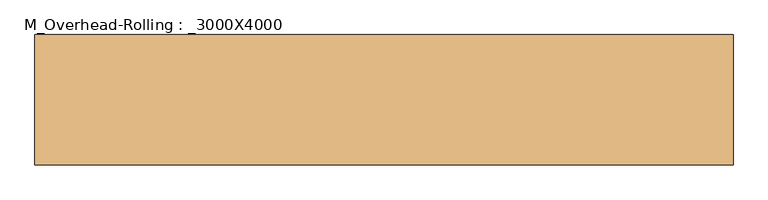
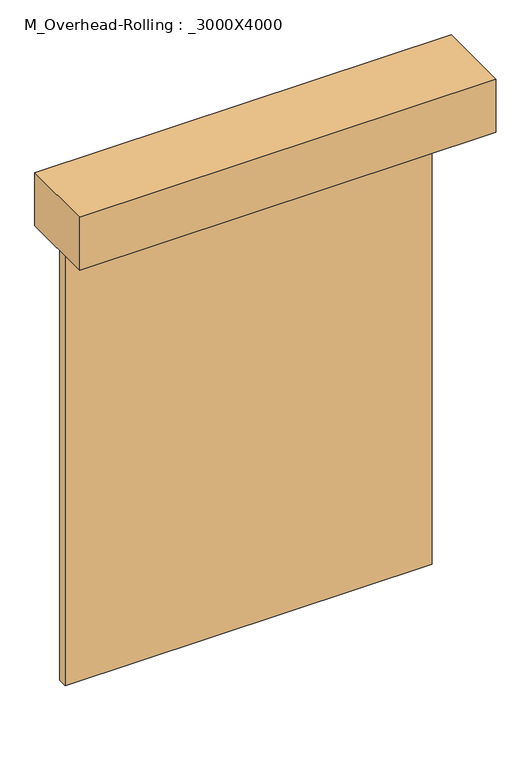
"""IFC4 building model written with IfcOpenShell, lengths in millimetres: door geometry, M_Overhead-Rolling : _3000X4000."""

import ifcopenshell
import ifcopenshell.guid

model = None  # the IFC model being written
_history = None  # IfcOwnerHistory: only IFC2X3 demands one
_inside = {}  # id of a spatial element -> (the spatial element, [elements in it])
_under = {}  # id of a project, library or spatial element -> (it, [spatial elements below it])
_declared = {}  # id of a project -> (the project, [libraries it declares])
_typed = {}  # id of a type object -> (the type object, [elements of that type])
_made_of = {}  # id of a material, layer set ... -> (it, [elements and type objects made of it])


def new_model(schema):
    """Start an empty IFC model of exactly this schema.

    Asked for "IFC4X3", IfcOpenShell would pick the latest addendum, in which some entities
    have other attributes; the version numbers below select the first issue.
    IFC2X3 requires an IfcOwnerHistory on every rooted entity: one is made here for all.
    """
    global model, _history
    if schema == "IFC4X3":
        model = ifcopenshell.file(schema_version=(4, 3, 0, 0))
    else:
        model = ifcopenshell.file(schema=schema)
    _inside.clear()
    _under.clear()
    _declared.clear()
    _typed.clear()
    _made_of.clear()
    _history = None
    if model.schema == "IFC2X3":
        org = make("IfcOrganization", Name="unknown")
        user = make(
            "IfcPersonAndOrganization",
            ThePerson=make("IfcPerson", FamilyName="unknown"),
            TheOrganization=org,
        )
        app = make(
            "IfcApplication",
            ApplicationDeveloper=org,
            Version="unknown",
            ApplicationFullName="unknown",
            ApplicationIdentifier="unknown",
        )
        _history = make(
            "IfcOwnerHistory",
            OwningUser=user,
            OwningApplication=app,
            ChangeAction="ADDED",
            CreationDate=0,
        )
    return model


def make(cls, **values):
    """One entity of the class cls with the attributes given. An attribute that is None is left unset."""
    return model.create_entity(
        cls, **{name: value for name, value in values.items() if value is not None}
    )


def rooted(cls, **values):
    """An entity with a GlobalId (a new one), such as an element, a storey or a relation."""
    return make(cls, GlobalId=ifcopenshell.guid.new(), OwnerHistory=_history, **values)


def si_unit(unit_type, name, prefix=None):
    """IfcSIUnit, for example si_unit("LENGTHUNIT", "METRE", prefix="MILLI")."""
    return make("IfcSIUnit", UnitType=unit_type, Prefix=prefix, Name=name)


def assignment(units):
    """IfcUnitAssignment: the units of a project."""
    return None if units is None else make("IfcUnitAssignment", Units=units)


def point(xyz):
    """IfcCartesianPoint."""
    return None if xyz is None else make("IfcCartesianPoint", Coordinates=xyz)


def direction(xyz):
    """IfcDirection."""
    return None if xyz is None else make("IfcDirection", DirectionRatios=xyz)


def frame(location, z_axis=None, x_axis=None):
    """IfcAxis2Placement3D, a coordinate frame: its origin and axes. An axis left out is left unset."""
    return make(
        "IfcAxis2Placement3D",
        Location=point(location),
        Axis=direction(z_axis),
        RefDirection=direction(x_axis),
    )


def origin():
    """The frame at (0, 0, 0) with its axes left unset."""
    return frame((0.0, 0.0, 0.0))


def origin_with_axes():
    """The frame at (0, 0, 0) with the z axis (0, 0, 1) and the x axis (1, 0, 0) written out."""
    return frame((0.0, 0.0, 0.0), z_axis=(0.0, 0.0, 1.0), x_axis=(1.0, 0.0, 0.0))


def place(relative_to, where):
    """IfcLocalPlacement: puts the frame where relative to a parent placement (None: the world)."""
    return make(
        "IfcLocalPlacement", PlacementRelTo=relative_to, RelativePlacement=where
    )


def context(
    kind, dimensions, precision=None, world=None, true_north=None, identifier=None
):
    """IfcGeometricRepresentationContext, for example the 3D "Model" context."""
    return make(
        "IfcGeometricRepresentationContext",
        ContextIdentifier=identifier,
        ContextType=kind,
        CoordinateSpaceDimension=dimensions,
        Precision=precision,
        WorldCoordinateSystem=world,
        TrueNorth=true_north,
    )


def project(units=None, contexts=None):
    """IfcProject with its units and contexts."""
    return rooted(
        "IfcProject",
        Name="project",
        RepresentationContexts=contexts,
        UnitsInContext=assignment(units),
    )


def spatial(cls, under=None, at=None, **own):
    """A site, building, storey or space (cls), placed at a placement, below another one or the project."""
    s = rooted(cls, ObjectPlacement=at, **own)
    if under is not None:
        _under.setdefault(under.id(), (under, []))[1].append(s)
    return s


def polyline(points):
    """IfcPolyline through the points."""
    return make("IfcPolyline", Points=[point(p) for p in points])


def outline(outer, holes=None, kind="AREA"):
    """IfcArbitraryClosedProfileDef: a profile drawn as a closed curve; with holes, ...WithVoids."""
    if holes is None:
        return make("IfcArbitraryClosedProfileDef", ProfileType=kind, OuterCurve=outer)
    return make(
        "IfcArbitraryProfileDefWithVoids",
        ProfileType=kind,
        OuterCurve=outer,
        InnerCurves=holes,
    )


def extrude(swept, where, along, depth):
    """IfcExtrudedAreaSolid: the profile swept, set in the frame where, extruded along a direction by depth."""
    return make(
        "IfcExtrudedAreaSolid",
        SweptArea=swept,
        Position=where,
        ExtrudedDirection=direction(along),
        Depth=depth,
    )


def shape(context_of_items, identifier, shape_type, items):
    """IfcShapeRepresentation: the items that make up one representation, for example the "Body"."""
    return make(
        "IfcShapeRepresentation",
        ContextOfItems=context_of_items,
        RepresentationIdentifier=identifier,
        RepresentationType=shape_type,
        Items=items,
    )


def source(mapping_origin, context_of_items, identifier, shape_type, items):
    """IfcRepresentationMap: a shape defined once, which mapped items show again and again."""
    return make(
        "IfcRepresentationMap",
        MappingOrigin=mapping_origin,
        MappedRepresentation=shape(context_of_items, identifier, shape_type, items),
    )


def transform(
    local_origin,
    x_axis=None,
    y_axis=None,
    z_axis=None,
    scale=None,
    scale2=None,
    scale3=None,
    uniform=True,
):
    """IfcCartesianTransformationOperator3D, or its non-uniform kind. x_axis, y_axis, z_axis: its Axis1, 2, 3."""
    if uniform:
        return make(
            "IfcCartesianTransformationOperator3D",
            Axis1=direction(x_axis),
            Axis2=direction(y_axis),
            LocalOrigin=point(local_origin),
            Scale=scale,
            Axis3=direction(z_axis),
        )
    return make(
        "IfcCartesianTransformationOperator3DnonUniform",
        Axis1=direction(x_axis),
        Axis2=direction(y_axis),
        LocalOrigin=point(local_origin),
        Scale=scale,
        Axis3=direction(z_axis),
        Scale2=scale2,
        Scale3=scale3,
    )


def mapped(mapping_source, mapping_target):
    """IfcMappedItem: shows the shape of a source again, moved by a transform."""
    return make(
        "IfcMappedItem", MappingSource=mapping_source, MappingTarget=mapping_target
    )


def made_of(thing, what):
    """Note that an element or type object is made of a material, layer set ...; save() writes the relation."""
    if what is not None:
        _made_of.setdefault(what.id(), (what, []))[1].append(thing)
    return thing


def element(
    cls,
    number,
    at=None,
    inside=None,
    cuts=None,
    type_object=None,
    material=None,
    context=None,
    identifier="Body",
    shape_type=None,
    held_by="IfcProductDefinitionShape",
    body=None,
    shapes=None,
    **own,
):
    """One element of the class cls, such as IfcWall. Its Tag is "e" and its number.

    at: its placement. inside: the storey or other place that contains it. cuts: it is an
    opening in that element (IfcRelVoidsElement). A single representation is given by context,
    identifier, shape_type and body (its items); several are given by shapes. held_by: the class
    of the entity that holds the representations. save() writes the other relations.
    """
    e = rooted(cls, Tag="e%d" % number, ObjectPlacement=at, **own)
    if body is not None:
        shapes = [shape(context, identifier, shape_type, body)]
    if shapes is not None:
        e.Representation = make(held_by, Representations=shapes)
    if inside is not None:
        _inside.setdefault(inside.id(), (inside, []))[1].append(e)
    if cuts is not None:
        rooted(
            "IfcRelVoidsElement", RelatingBuildingElement=cuts, RelatedOpeningElement=e
        )
    if type_object is not None:
        _typed.setdefault(type_object.id(), (type_object, []))[1].append(e)
    return made_of(e, material)


def aggregate(whole, parts):
    """IfcRelAggregates: a whole, such as a stair, and the parts it consists of."""
    return rooted("IfcRelAggregates", RelatingObject=whole, RelatedObjects=parts)


def save(model, path):
    """Write the relations noted so far, then the file.

    IfcRelAggregates (storeys below a building ...), IfcRelContainedInSpatialStructure (elements
    in a storey), IfcRelDefinesByType, IfcRelAssociatesMaterial and IfcRelDeclares: one each for
    every whole, place, type object, material and project.
    """
    for whole, parts in _under.values():
        aggregate(whole, parts)
    for where, things in _inside.values():
        rooted(
            "IfcRelContainedInSpatialStructure",
            RelatedElements=things,
            RelatingStructure=where,
        )
    for kind, things in _typed.values():
        rooted("IfcRelDefinesByType", RelatedObjects=things, RelatingType=kind)
    for what, things in _made_of.values():
        rooted("IfcRelAssociatesMaterial", RelatedObjects=things, RelatingMaterial=what)
    for by, libraries in _declared.values():
        rooted("IfcRelDeclares", RelatingContext=by, RelatedDefinitions=libraries)
    model.write(path)


def m_overhead_rolling_3000x4000_8cada21e(model_context):
    return source(origin(), model_context, "Body", "SweptSolid", [
        extrude(outline(polyline([(1500.0, -150.0), (1500.0, -226.0), (-1500.0, -226.0), (-1500.0, -150.0), (1500.0, -150.0)])), origin_with_axes(), (0.0, 0.0, 1.0), 4000.0),
        extrude(outline(polyline([(1703.2, -784.8), (-1703.2, -784.8), (-1703.2, -150.0), (1703.2, -150.0), (1703.2, -784.8)])), frame((0.0, 0.0, 4000.0), z_axis=(0.0, 0.0, 1.0), x_axis=(1.0, 0.0, 0.0)), (0.0, 0.0, 1.0), 457.2),
    ])


if __name__ == "__main__":
    model = new_model("IFC4")
    model_context = context("Model", 3, world=origin())
    ifc_project = project(units=[si_unit("LENGTHUNIT", "METRE", prefix="MILLI")], contexts=[model_context])
    site = spatial("IfcSite", under=ifc_project)
    building = spatial("IfcBuilding", under=site)
    placement = place(None, origin())
    m_overhead_rolling_3000x4000_shape = m_overhead_rolling_3000x4000_8cada21e(model_context)
    element("IfcDoor", 1, ObjectType="M_Overhead-Rolling : _3000X4000", at=placement, inside=building, context=model_context, shape_type="MappedRepresentation", body=[
        mapped(m_overhead_rolling_3000x4000_shape, transform((0.0, 0.0, 0.0), x_axis=(1.0, 0.0, 0.0), y_axis=(0.0, 1.0, 0.0), z_axis=(0.0, 0.0, 1.0))),
    ])
    save(model, "model.ifc")
